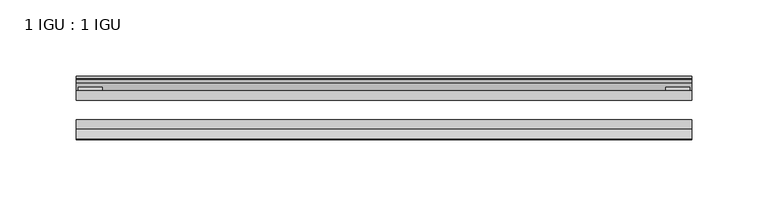
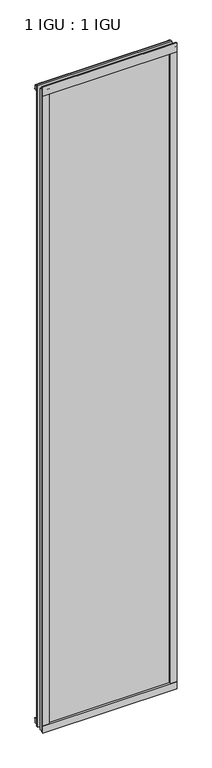
"""IFC4 building model written with IfcOpenShell, lengths in millimetres: plate geometry, 1 IGU : 1 IGU."""

from ifc_helpers import new_model, si_unit, point, frame, frame_2d, origin, place, context, project, spatial, polyline, circle_curve, trimmed, segment, composite_curve, outline, extrude, source, transform, mapped, element, save


def plate_1_igu_1_igu_6e38b712(model_context):
    return source(origin(), model_context, "Body", "SweptSolid", [
        extrude(outline(polyline([(201.856492, 0.0021347), (201.856492, -6.2992), (-201.856492, -6.2992), (-201.856492, 0.0021347), (201.856492, 0.0021347)])), frame((0.0, 0.0, -19.05), z_axis=(0.0, 0.0, 1.0), x_axis=(1.0, 0.0, 0.0)), (0.0, 0.0, 1.0), 2036.7580337),
        extrude(outline(polyline([(-201.856492, -19.0986653), (201.856492, -19.0986653), (201.856492, -25.3978653), (-201.856492, -25.3978653), (-201.856492, -19.0986653)])), frame((0.0, 0.0, -19.05), z_axis=(0.0, 0.0, 1.0), x_axis=(1.0, 0.0, 0.0)), (0.0, 0.0, 1.0), 2036.7580337),
        extrude(outline(composite_curve([segment(polyline([(-31.75, 0.0), (-25.4, 0.0), (-25.4, -22.225)]), True, "CONTINUOUS"), segment(trimmed(circle_curve(frame_2d((-28.575, -28.9113452)), 7.4018806), [point((-25.4, -22.225))], [point((-31.75, -22.225))], True, "CARTESIAN"), True, "CONTINUOUS"), segment(polyline([(-31.75, -22.225), (-31.75, 0.0)]), True, "CONTINUOUS")], self_intersect=False)), frame((-201.856492, 0.0, 0.0), z_axis=(1.0, 0.0, 0.0), x_axis=(0.0, 1.0, 0.0)), (0.0, 0.0, 1.0), 403.712984),
        extrude(outline(composite_curve([segment(trimmed(circle_curve(frame_2d((13.6593785, 32.4202472)), 31.3046461), [point((0.0, 4.2528503))], [point((9.3980339, 1.406995))], True, "CARTESIAN"), True, "CONTINUOUS"), segment(polyline([(9.3980339, 1.406995), (9.3980339, 0.0254), (6.35, 0.0254), (6.35, -5.1625788), (7.7309478, -5.3970663), (6.35, -8.0073788), (6.35, -11.8471127)]), True, "CONTINUOUS"), segment(trimmed(circle_curve(frame_2d((5.334, -11.8471127)), 1.016), [point((6.35, -11.8471127))], [point((4.6284878, -12.5782136))], False, "CARTESIAN"), True, "CONTINUOUS"), segment(trimmed(circle_curve(frame_2d((-23.3689302, -41.5910901)), 40.3187601), [point((4.6284878, -12.5782136))], [point((0.0, -8.735413))], True, "CARTESIAN"), True, "CONTINUOUS"), segment(polyline([(0.0, -8.735413), (0.0, 4.2528503)]), True, "CONTINUOUS")], self_intersect=False)), frame((-201.856492, 0.0, 0.0), z_axis=(1.0, 0.0, 0.0), x_axis=(0.0, 1.0, 0.0)), (0.0, 0.0, 1.0), 403.712984),
        extrude(outline(composite_curve([segment(trimmed(circle_curve(frame_2d((-23.3689302, 2041.8747237)), 40.3187601), [point((0.0, 2009.0190467))], [point((4.9746073, 2013.1998864))], True, "CARTESIAN"), True, "CONTINUOUS"), segment(trimmed(circle_curve(frame_2d((5.8674, 2012.2966582)), 1.27), [point((4.9746073, 2013.1998864))], [point((7.1374, 2012.2966582))], False, "CARTESIAN"), True, "CONTINUOUS"), segment(polyline([(7.1374, 2012.2966582), (7.1374, 2007.8958505), (7.7309478, 2005.6806999), (6.35, 2005.4462125), (6.35, 2000.2582337), (9.3980339, 2000.2582337), (9.3980339, 1998.8766387)]), True, "CONTINUOUS"), segment(trimmed(circle_curve(frame_2d((13.6593785, 1967.8633864)), 31.3046461), [point((9.3980339, 1998.8766387))], [point((0.0, 1996.0307834))], True, "CARTESIAN"), True, "CONTINUOUS"), segment(polyline([(0.0, 1996.0307834), (0.0, 2009.0190467)]), True, "CONTINUOUS")], self_intersect=False)), frame((-201.856492, 0.0, 0.0), z_axis=(1.0, 0.0, 0.0), x_axis=(0.0, 1.0, 0.0)), (0.0, 0.0, 1.0), 403.712984),
        extrude(outline(composite_curve([segment(polyline([(-25.4, 2025.6582337), (-25.4, 2000.2582337), (-31.75, 2000.2582337), (-31.75, 2028.431131)]), True, "CONTINUOUS"), segment(trimmed(circle_curve(frame_2d((-24.1401272, 2037.2006452)), 11.6109665), [point((-31.75, 2028.431131))], [point((-25.4, 2025.6582337))], True, "CARTESIAN"), True, "CONTINUOUS")], self_intersect=False)), frame((-201.856492, 0.0, 0.0), z_axis=(1.0, 0.0, 0.0), x_axis=(0.0, 1.0, 0.0)), (0.0, 0.0, 1.0), 403.712984),
        extrude(outline(composite_curve([segment(polyline([(182.806492, -25.4), (201.856492, -25.4)]), True, "CONTINUOUS"), segment(trimmed(circle_curve(frame_2d((211.3226427, -28.575)), 9.9844196), [point((201.856492, -25.4))], [point((201.856492, -31.75))], True, "CARTESIAN"), True, "CONTINUOUS"), segment(polyline([(201.856492, -31.75), (182.806492, -31.75), (182.806492, -25.4)]), True, "CONTINUOUS")], self_intersect=False)), frame((0.0, 0.0, -19.05), z_axis=(0.0, 0.0, 1.0), x_axis=(1.0, 0.0, 0.0)), (0.0, 0.0, 1.0), 2036.7580337),
        extrude(outline(polyline([(200.649992, 2.2860088), (200.649992, 0.0021347), (184.774992, 0.0021347), (184.774992, 2.2860088), (200.649992, 2.2860088)])), frame((0.0, 0.0, -19.05), z_axis=(0.0, 0.0, 1.0), x_axis=(1.0, 0.0, 0.0)), (0.0, 0.0, 1.0), 2036.7580337),
        extrude(outline(composite_curve([segment(trimmed(circle_curve(frame_2d((-211.3226427, -28.575)), 9.9844196), [point((-201.856492, -31.75))], [point((-201.856492, -25.4))], True, "CARTESIAN"), True, "CONTINUOUS"), segment(polyline([(-201.856492, -25.4), (-182.806492, -25.4), (-182.806492, -31.75), (-201.856492, -31.75)]), True, "CONTINUOUS")], self_intersect=False)), frame((0.0, 0.0, -19.05), z_axis=(0.0, 0.0, 1.0), x_axis=(1.0, 0.0, 0.0)), (0.0, 0.0, 1.0), 2036.7580337),
        extrude(outline(polyline([(-200.649992, 0.0), (-200.649992, 2.286), (-184.774992, 2.286), (-184.774992, 0.0), (-200.649992, 0.0)])), frame((0.0, 0.0, -19.05), z_axis=(0.0, 0.0, 1.0), x_axis=(1.0, 0.0, 0.0)), (0.0, 0.0, 1.0), 2036.7580337),
    ])


if __name__ == "__main__":
    model = new_model("IFC4")
    model_context = context("Model", 3, world=origin())
    ifc_project = project(units=[si_unit("LENGTHUNIT", "METRE", prefix="MILLI")], contexts=[model_context])
    site = spatial("IfcSite", under=ifc_project)
    building = spatial("IfcBuilding", under=site)
    placement = place(None, origin())
    plate_1_igu_1_igu_shape = plate_1_igu_1_igu_6e38b712(model_context)
    element("IfcPlate", 1, ObjectType="1 IGU : 1 IGU", at=placement, inside=building, context=model_context, shape_type="MappedRepresentation", body=[
        mapped(plate_1_igu_1_igu_shape, transform((0.0, 0.0, 0.0), x_axis=(1.0, 0.0, 0.0), y_axis=(0.0, 1.0, 0.0), z_axis=(0.0, 0.0, 1.0))),
    ])
    save(model, "model.ifc")
